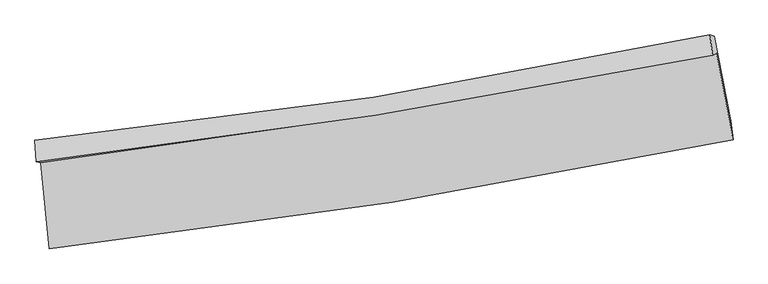
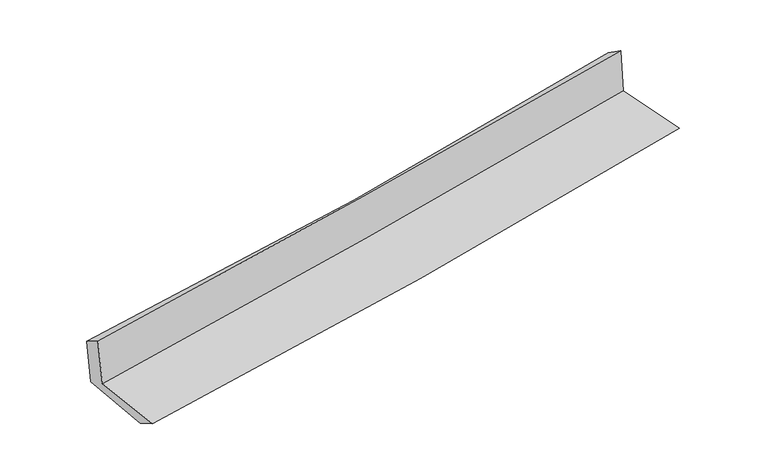
"""IFC4 building model written with IfcOpenShell, lengths in millimetres: proxy geometry."""

import ifcopenshell
import ifcopenshell.guid

model = None  # the IFC model being written
_history = None  # IfcOwnerHistory: only IFC2X3 demands one
_inside = {}  # id of a spatial element -> (the spatial element, [elements in it])
_under = {}  # id of a project, library or spatial element -> (it, [spatial elements below it])
_declared = {}  # id of a project -> (the project, [libraries it declares])
_typed = {}  # id of a type object -> (the type object, [elements of that type])
_made_of = {}  # id of a material, layer set ... -> (it, [elements and type objects made of it])


def new_model(schema):
    """Start an empty IFC model of exactly this schema.

    Asked for "IFC4X3", IfcOpenShell would pick the latest addendum, in which some entities
    have other attributes; the version numbers below select the first issue.
    IFC2X3 requires an IfcOwnerHistory on every rooted entity: one is made here for all.
    """
    global model, _history
    if schema == "IFC4X3":
        model = ifcopenshell.file(schema_version=(4, 3, 0, 0))
    else:
        model = ifcopenshell.file(schema=schema)
    _inside.clear()
    _under.clear()
    _declared.clear()
    _typed.clear()
    _made_of.clear()
    _history = None
    if model.schema == "IFC2X3":
        org = make("IfcOrganization", Name="unknown")
        user = make(
            "IfcPersonAndOrganization",
            ThePerson=make("IfcPerson", FamilyName="unknown"),
            TheOrganization=org,
        )
        app = make(
            "IfcApplication",
            ApplicationDeveloper=org,
            Version="unknown",
            ApplicationFullName="unknown",
            ApplicationIdentifier="unknown",
        )
        _history = make(
            "IfcOwnerHistory",
            OwningUser=user,
            OwningApplication=app,
            ChangeAction="ADDED",
            CreationDate=0,
        )
    return model


def make(cls, **values):
    """One entity of the class cls with the attributes given. An attribute that is None is left unset."""
    return model.create_entity(
        cls, **{name: value for name, value in values.items() if value is not None}
    )


def rooted(cls, **values):
    """An entity with a GlobalId (a new one), such as an element, a storey or a relation."""
    return make(cls, GlobalId=ifcopenshell.guid.new(), OwnerHistory=_history, **values)


def si_unit(unit_type, name, prefix=None):
    """IfcSIUnit, for example si_unit("LENGTHUNIT", "METRE", prefix="MILLI")."""
    return make("IfcSIUnit", UnitType=unit_type, Prefix=prefix, Name=name)


def assignment(units):
    """IfcUnitAssignment: the units of a project."""
    return None if units is None else make("IfcUnitAssignment", Units=units)


def point(xyz):
    """IfcCartesianPoint."""
    return None if xyz is None else make("IfcCartesianPoint", Coordinates=xyz)


def direction(xyz):
    """IfcDirection."""
    return None if xyz is None else make("IfcDirection", DirectionRatios=xyz)


def frame(location, z_axis=None, x_axis=None):
    """IfcAxis2Placement3D, a coordinate frame: its origin and axes. An axis left out is left unset."""
    return make(
        "IfcAxis2Placement3D",
        Location=point(location),
        Axis=direction(z_axis),
        RefDirection=direction(x_axis),
    )


def origin():
    """The frame at (0, 0, 0) with its axes left unset."""
    return frame((0.0, 0.0, 0.0))


def place(relative_to, where):
    """IfcLocalPlacement: puts the frame where relative to a parent placement (None: the world)."""
    return make(
        "IfcLocalPlacement", PlacementRelTo=relative_to, RelativePlacement=where
    )


def context(
    kind, dimensions, precision=None, world=None, true_north=None, identifier=None
):
    """IfcGeometricRepresentationContext, for example the 3D "Model" context."""
    return make(
        "IfcGeometricRepresentationContext",
        ContextIdentifier=identifier,
        ContextType=kind,
        CoordinateSpaceDimension=dimensions,
        Precision=precision,
        WorldCoordinateSystem=world,
        TrueNorth=true_north,
    )


def project(units=None, contexts=None):
    """IfcProject with its units and contexts."""
    return rooted(
        "IfcProject",
        Name="project",
        RepresentationContexts=contexts,
        UnitsInContext=assignment(units),
    )


def spatial(cls, under=None, at=None, **own):
    """A site, building, storey or space (cls), placed at a placement, below another one or the project."""
    s = rooted(cls, ObjectPlacement=at, **own)
    if under is not None:
        _under.setdefault(under.id(), (under, []))[1].append(s)
    return s


def shape(context_of_items, identifier, shape_type, items):
    """IfcShapeRepresentation: the items that make up one representation, for example the "Body"."""
    return make(
        "IfcShapeRepresentation",
        ContextOfItems=context_of_items,
        RepresentationIdentifier=identifier,
        RepresentationType=shape_type,
        Items=items,
    )


def source(mapping_origin, context_of_items, identifier, shape_type, items):
    """IfcRepresentationMap: a shape defined once, which mapped items show again and again."""
    return make(
        "IfcRepresentationMap",
        MappingOrigin=mapping_origin,
        MappedRepresentation=shape(context_of_items, identifier, shape_type, items),
    )


def transform(
    local_origin,
    x_axis=None,
    y_axis=None,
    z_axis=None,
    scale=None,
    scale2=None,
    scale3=None,
    uniform=True,
):
    """IfcCartesianTransformationOperator3D, or its non-uniform kind. x_axis, y_axis, z_axis: its Axis1, 2, 3."""
    if uniform:
        return make(
            "IfcCartesianTransformationOperator3D",
            Axis1=direction(x_axis),
            Axis2=direction(y_axis),
            LocalOrigin=point(local_origin),
            Scale=scale,
            Axis3=direction(z_axis),
        )
    return make(
        "IfcCartesianTransformationOperator3DnonUniform",
        Axis1=direction(x_axis),
        Axis2=direction(y_axis),
        LocalOrigin=point(local_origin),
        Scale=scale,
        Axis3=direction(z_axis),
        Scale2=scale2,
        Scale3=scale3,
    )


def mapped(mapping_source, mapping_target):
    """IfcMappedItem: shows the shape of a source again, moved by a transform."""
    return make(
        "IfcMappedItem", MappingSource=mapping_source, MappingTarget=mapping_target
    )


def made_of(thing, what):
    """Note that an element or type object is made of a material, layer set ...; save() writes the relation."""
    if what is not None:
        _made_of.setdefault(what.id(), (what, []))[1].append(thing)
    return thing


def element(
    cls,
    number,
    at=None,
    inside=None,
    cuts=None,
    type_object=None,
    material=None,
    context=None,
    identifier="Body",
    shape_type=None,
    held_by="IfcProductDefinitionShape",
    body=None,
    shapes=None,
    **own,
):
    """One element of the class cls, such as IfcWall. Its Tag is "e" and its number.

    at: its placement. inside: the storey or other place that contains it. cuts: it is an
    opening in that element (IfcRelVoidsElement). A single representation is given by context,
    identifier, shape_type and body (its items); several are given by shapes. held_by: the class
    of the entity that holds the representations. save() writes the other relations.
    """
    e = rooted(cls, Tag="e%d" % number, ObjectPlacement=at, **own)
    if body is not None:
        shapes = [shape(context, identifier, shape_type, body)]
    if shapes is not None:
        e.Representation = make(held_by, Representations=shapes)
    if inside is not None:
        _inside.setdefault(inside.id(), (inside, []))[1].append(e)
    if cuts is not None:
        rooted(
            "IfcRelVoidsElement", RelatingBuildingElement=cuts, RelatedOpeningElement=e
        )
    if type_object is not None:
        _typed.setdefault(type_object.id(), (type_object, []))[1].append(e)
    return made_of(e, material)


def aggregate(whole, parts):
    """IfcRelAggregates: a whole, such as a stair, and the parts it consists of."""
    return rooted("IfcRelAggregates", RelatingObject=whole, RelatedObjects=parts)


def save(model, path):
    """Write the relations noted so far, then the file.

    IfcRelAggregates (storeys below a building ...), IfcRelContainedInSpatialStructure (elements
    in a storey), IfcRelDefinesByType, IfcRelAssociatesMaterial and IfcRelDeclares: one each for
    every whole, place, type object, material and project.
    """
    for whole, parts in _under.values():
        aggregate(whole, parts)
    for where, things in _inside.values():
        rooted(
            "IfcRelContainedInSpatialStructure",
            RelatedElements=things,
            RelatingStructure=where,
        )
    for kind, things in _typed.values():
        rooted("IfcRelDefinesByType", RelatedObjects=things, RelatingType=kind)
    for what, things in _made_of.values():
        rooted("IfcRelAssociatesMaterial", RelatedObjects=things, RelatingMaterial=what)
    for by, libraries in _declared.values():
        rooted("IfcRelDeclares", RelatingContext=by, RelatedDefinitions=libraries)
    model.write(path)


def plane_surface(at):
    """IfcPlane: the flat surface through the origin of the frame at, square to its z axis."""
    return make("IfcPlane", Position=at)


def spline_curve(degree, points, multiplicities, knots, weights=None):
    """IfcBSplineCurveWithKnots; with weights, IfcRationalBSplineCurveWithKnots."""
    own = dict(
        Degree=degree,
        ControlPointsList=[point(p) for p in points],
        CurveForm="UNSPECIFIED",
        ClosedCurve=False,
        SelfIntersect=False,
        KnotMultiplicities=multiplicities,
        Knots=knots,
        KnotSpec="UNSPECIFIED",
    )
    if weights is None:
        return make("IfcBSplineCurveWithKnots", **own)
    return make("IfcRationalBSplineCurveWithKnots", WeightsData=weights, **own)


def spline_surface(u_degree, v_degree, points, u_multiplicities, v_multiplicities, u_knots, v_knots, weights=None):
    """IfcBSplineSurfaceWithKnots; with weights, IfcRationalBSplineSurfaceWithKnots. points: one row for each step in u."""
    own = dict(
        UDegree=u_degree,
        VDegree=v_degree,
        ControlPointsList=[[point(p) for p in row] for row in points],
        SurfaceForm="UNSPECIFIED",
        UClosed=False,
        VClosed=False,
        SelfIntersect=False,
        UMultiplicities=u_multiplicities,
        VMultiplicities=v_multiplicities,
        UKnots=u_knots,
        VKnots=v_knots,
        KnotSpec="UNSPECIFIED",
    )
    if weights is None:
        return make("IfcBSplineSurfaceWithKnots", **own)
    return make("IfcRationalBSplineSurfaceWithKnots", WeightsData=weights, **own)


def advanced_brep(points, edges, surfaces, faces):
    """IfcAdvancedBrep: a solid bounded by faces that lie on surfaces and meet in shared edges.

    An edge is (start, end): straight between two places in points (the first is 0);
    or (start, end, curve); or (start, end, curve, False) where it runs against its curve.
    A face is (place in surfaces, loops), or (place, loops, False) where it looks against
    its surface's normal. A loop lists edges by number (the first is 1), with a minus sign
    where the edge is run from its end to its start. The first loop is the outer one.
    """
    corners = [point(p) for p in points]
    vertices = [make("IfcVertexPoint", VertexGeometry=c) for c in corners]
    made = []
    for start, end, *more in edges:
        made.append(
            make(
                "IfcEdgeCurve",
                EdgeStart=vertices[start],
                EdgeEnd=vertices[end],
                EdgeGeometry=more[0] if more else make("IfcPolyline", Points=[corners[start], corners[end]]),
                SameSense=more[1] if len(more) > 1 else True,
            )
        )
    hull = []
    for where, loops, *sense in faces:
        bounds = []
        for j, loop in enumerate(loops):
            ring = [make("IfcOrientedEdge", EdgeElement=made[abs(k) - 1], Orientation=k > 0) for k in loop]
            bounds.append(
                make(
                    "IfcFaceOuterBound" if j == 0 else "IfcFaceBound",
                    Bound=make("IfcEdgeLoop", EdgeList=ring),
                    Orientation=True,
                )
            )
        hull.append(make("IfcAdvancedFace", Bounds=bounds, FaceSurface=surfaces[where], SameSense=sense[0] if sense else True))
    return make("IfcAdvancedBrep", Outer=make("IfcClosedShell", CfsFaces=hull))


def generic_models_d89f8c20(model_context):
    return source(origin(), model_context, "Body", "AdvancedBrep", [
        advanced_brep(
        [(-2579.9767751, -1902.0352295, 1639.9901981), (-2514.1492017, -2554.364499, 1638.1998482), (2655.6289832, -1728.2047845, 2103.7314809), (2531.6088339, -1074.2263977, 2104.440323), (-2614.7264224, -1893.8453979, 2045.6522932), (2500.1997398, -1089.9740617, 2504.1965665), (-2623.0007516, -1733.6854112, 1951.7743889), (2480.3024353, -936.6719632, 2397.7250605), (-2589.8089788, -1743.1093564, 1566.2264831), (2514.2712583, -945.6042488, 2022.5890681), (-2523.2682272, -2383.9359025, 1542.059947), (2637.4483427, -1586.4957839, 2002.8478268)],
        [
            (0, 1),
            (1, 2, spline_curve(3, [(-2514.1492017, -2554.364499, 1638.1998482), (-1647.008738008, -2455.901305774, 1724.403768428), (-782.446478866, -2337.786454343, 1806.314306242), (940.808653031, -2062.367387199, 1961.484417869), (1799.505788599, -1905.095666986, 2034.751090841), (2655.6289832, -1728.2047845, 2103.7314809)], [4, 2, 4], [0.0, 8.581237580529123, 17.15537731658479])),
            (2, 3),
            (3, 0, spline_curve(3, [(2531.6088339, -1074.2263977, 2104.440323), (1684.376050755, -1244.365206878, 2041.611800463), (834.971329418, -1398.396806446, 1971.512385001), (-868.88694302, -1674.359762525, 1816.707719509), (-1723.344091173, -1796.264440277, 1731.990426807), (-2579.9767751, -1902.0352295, 1639.9901981)], [4, 2, 4], [0.0, 8.574139736055667, 17.15537731658479])),
            (4, 0),
            (3, 5),
            (5, 4, spline_curve(3, [(2500.1997398, -1089.9740617, 2504.1965665), (1651.966051105, -1258.166695293, 2446.930550838), (801.782520917, -1409.231663576, 2380.105286837), (-903.189637177, -1677.217144604, 2227.273028935), (-1757.981493965, -1794.109288584, 2141.250202084), (-2614.7264224, -1893.8453979, 2045.6522932)], [4, 2, 4], [0.0, 8.526488382453365, 17.060035162635998])),
            (6, 4),
            (5, 7),
            (7, 6, spline_curve(3, [(2480.3024353, -936.6719632, 2397.7250605), (1637.21892248, -1117.622623029, 2328.841283542), (790.579325258, -1274.4982256, 2257.253334292), (-910.515847258, -1540.209251349, 2108.607589203), (-1764.977312207, -1649.004797961, 2031.54531496), (-2623.0007516, -1733.6854112, 1951.7743889)], [4, 2, 4], [0.0, 8.515347141347604, 17.037743457482108])),
            (8, 6),
            (7, 9),
            (9, 8, spline_curve(3, [(2514.2712583, -945.6042488, 2022.5890681), (1671.043039235, -1126.648027853, 1952.063025581), (824.266358114, -1283.611147119, 1878.786661866), (-877.087843286, -1549.48606844, 1726.670355723), (-1731.671241459, -1658.357984955, 1647.825857573), (-2589.8089788, -1743.1093564, 1566.2264831)], [4, 2, 4], [0.0, 8.506517597146624, 17.02007705980675])),
            (10, 8),
            (9, 11),
            (11, 10, spline_curve(3, [(2637.4483427, -1586.4957839, 2002.8478268), (1783.132989593, -1760.825350623, 1931.770164485), (926.094658405, -1914.42456371, 1857.849407483), (-794.139688024, -2180.272272591, 1704.258156464), (-1657.340213373, -2292.486432731, 1624.582953683), (-2523.2682272, -2383.9359025, 1542.059947)], [4, 2, 4], [0.0, 8.5534075499215, 17.113895781797847])),
            (1, 10),
            (11, 2),
        ],
        [
            spline_surface(3, 3, [[(-2579.9767751, -1902.0352295, 1639.9901981), (-1723.344091071, -1796.264440232, 1731.990426773), (-868.886942912, -1674.359762511, 1816.707719578), (834.97132931, -1398.396806459, 1971.512384933), (1684.376050834, -1244.365206925, 2041.611800391), (2531.6088339, -1074.2263977, 2104.440323)], [(-2558.034250649, -2119.478319343, 1639.393414817), (-1697.898973373, -2016.143395404, 1729.461540668), (-840.073454865, -1895.501993166, 1813.243248499), (870.250437177, -1619.720333382, 1968.169729202), (1722.752630124, -1464.608693611, 2039.324897153), (2572.948883663, -1292.219193283, 2104.204042275)], [(-2536.091726151, -2336.921409157, 1638.796631483), (-1672.453855629, -2236.022350546, 1726.932654513), (-811.259966807, -2116.64422374, 1809.778777435), (905.529545057, -1841.043860224, 1964.827073486), (1761.129209426, -1684.852180348, 2037.037993989), (2614.288933437, -1510.211988917, 2103.967761625)], [(-2514.1492017, -2554.364499, 1638.1998482), (-1647.00873793, -2455.901305717, 1724.403768408), (-782.44647876, -2337.786454395, 1806.314306356), (940.808652925, -2062.367387147, 1961.484417755), (1799.505788716, -1905.095667034, 2034.751090752), (2655.6289832, -1728.2047845, 2103.7314809)]], [4, 4], [4, 2, 4], [0.0, 2.2004654173239784], [0.0, 8.581237580529123, 17.15537731658479]),
            spline_surface(3, 3, [[(-2614.7264224, -1893.8453979, 2045.6522932), (-1757.981494009, -1794.109288506, 2141.250201968), (-903.189637043, -1677.217144615, 2227.273028943), (801.782520783, -1409.231663565, 2380.105286829), (1651.966051219, -1258.166695384, 2446.93055093), (2500.1997398, -1089.9740617, 2504.1965665)], [(-2603.143206629, -1896.575341762, 1910.43159483), (-1746.435693025, -1794.82767241, 2004.8302769), (-891.755405658, -1676.264683908, 2090.417925819), (812.845456967, -1405.620044524, 2243.907652862), (1662.769384421, -1253.566199219, 2311.824300754), (2510.66943783, -1084.724840354, 2370.944485337)], [(-2591.559990871, -1899.305285638, 1775.21089647), (-1734.889892055, -1795.546056328, 1868.410351841), (-880.321174297, -1675.312223218, 1953.562822701), (823.908393126, -1402.0084255, 2107.7100189), (1673.572717632, -1248.965703091, 2176.718050567), (2521.13913587, -1079.475619046, 2237.692404163)], [(-2579.9767751, -1902.0352295, 1639.9901981), (-1723.344091071, -1796.264440232, 1731.990426773), (-868.886942912, -1674.359762511, 1816.707719578), (834.97132931, -1398.396806459, 1971.512384933), (1684.376050834, -1244.365206925, 2041.611800391), (2531.6088339, -1074.2263977, 2104.440323)]], [4, 4], [4, 2, 4], [0.0, 1.348506386370472], [0.0, 8.533546780182633, 17.060035162635998]),
            spline_surface(3, 3, [[(-2623.0007516, -1733.6854112, 1951.7743889), (-1764.977312221, -1649.004797948, 2031.5453149), (-910.515847135, -1540.209251207, 2108.607589323), (790.579325135, -1274.498225742, 2257.253334171), (1637.218922344, -1117.62262316, 2328.841283673), (2480.3024353, -936.6719632, 2397.7250605)], [(-2620.242641875, -1787.072073447, 1983.067023645), (-1762.645372826, -1697.372961481, 2068.113610567), (-908.073777104, -1585.878548998, 2148.162735882), (794.313723685, -1319.409371671, 2298.203985076), (1642.134631957, -1164.470647256, 2368.204372778), (2486.934870121, -987.772662721, 2433.215562519)], [(-2617.484532125, -1840.458735653, 2014.359658455), (-1760.313433404, -1745.741124973, 2104.6819063), (-905.631707075, -1631.547846824, 2187.717882384), (798.048122233, -1364.320517635, 2339.154635924), (1647.050341606, -1211.318671288, 2407.567461825), (2493.567304979, -1038.873362179, 2468.706064481)], [(-2614.7264224, -1893.8453979, 2045.6522932), (-1757.981494009, -1794.109288506, 2141.250201968), (-903.189637043, -1677.217144615, 2227.273028943), (801.782520783, -1409.231663565, 2380.105286829), (1651.966051219, -1258.166695384, 2446.93055093), (2500.1997398, -1089.9740617, 2504.1965665)]], [4, 4], [4, 2, 4], [0.0, 0.5971592143839636], [0.0, 8.522396316134504, 17.037743457482108]),
            spline_surface(3, 3, [[(-2589.8089788, -1743.1093564, 1566.2264831), (-1731.67124148, -1658.35798507, 1647.825857711), (-877.08784341, -1549.486068428, 1726.670355678), (824.266358239, -1283.611147132, 1878.786661911), (1671.043039156, -1126.648027953, 1952.063025625), (2514.2712583, -945.6042488, 2022.5890681)], [(-2600.872903036, -1739.968041322, 1694.742451712), (-1742.77326503, -1655.240256018, 1775.732343452), (-888.230511329, -1546.393796026, 1853.982766877), (813.037347193, -1280.573506673, 2004.942219315), (1659.768333562, -1123.639559695, 2077.655778298), (2502.948317309, -942.626820273, 2147.63439889)], [(-2611.936827364, -1736.826726278, 1823.258420288), (-1753.875288671, -1652.122527, 1903.638829158), (-899.373179216, -1543.301523609, 1981.295178124), (801.80833618, -1277.5358662, 2131.097776767), (1648.493627939, -1120.631091417, 2203.248531), (2491.625376291, -939.649391727, 2272.67972971)], [(-2623.0007516, -1733.6854112, 1951.7743889), (-1764.977312221, -1649.004797948, 2031.5453149), (-910.515847135, -1540.209251207, 2108.607589323), (790.579325135, -1274.498225742, 2257.253334171), (1637.218922344, -1117.62262316, 2328.841283673), (2480.3024353, -936.6719632, 2397.7250605)]], [4, 4], [4, 2, 4], [0.0, 1.252598993799147], [0.0, 8.513559462660124, 17.02007705980675]),
            spline_surface(3, 3, [[(-2523.2682272, -2383.9359025, 1542.059947), (-1657.340213432, -2292.486432708, 1624.582953782), (-794.139688062, -2180.272272684, 1704.258156549), (926.094658443, -1914.424563617, 1857.849407398), (1783.132989687, -1760.825350755, 1931.770164552), (2637.4483427, -1586.4957839, 2002.8478268)], [(-2545.448477735, -2170.327053819, 1550.115459033), (-1682.117222783, -2081.110283514, 1632.330588425), (-821.78907318, -1970.010204609, 1711.728889592), (892.151891707, -1704.153424799, 1864.828492236), (1745.769672856, -1549.432909807, 1938.534451562), (2596.389314579, -1372.865272186, 2009.428240553)], [(-2567.628728265, -1956.718205081, 1558.170971067), (-1706.894232129, -1869.734134264, 1640.078223068), (-849.438458293, -1759.748136502, 1719.199622635), (858.209124975, -1493.882285949, 1871.807577073), (1708.406355988, -1338.040468901, 1945.298738614), (2555.330286421, -1159.234760514, 2016.008654347)], [(-2589.8089788, -1743.1093564, 1566.2264831), (-1731.67124148, -1658.35798507, 1647.825857711), (-877.08784341, -1549.486068428, 1726.670355678), (824.266358239, -1283.611147132, 1878.786661911), (1671.043039156, -1126.648027953, 1952.063025625), (2514.2712583, -945.6042488, 2022.5890681)]], [4, 4], [4, 2, 4], [0.0, 2.092837329179718], [0.0, 8.560488231876347, 17.113895781797847]),
            spline_surface(3, 3, [[(-2514.1492017, -2554.364499, 1638.1998482), (-1647.00873793, -2455.901305717, 1724.403768408), (-782.44647876, -2337.786454395, 1806.314306356), (940.808652925, -2062.367387147, 1961.484417755), (1799.505788716, -1905.095667034, 2034.751090752), (2655.6289832, -1728.2047845, 2103.7314809)], [(-2517.188876876, -2497.554966806, 1606.153214463), (-1650.452563107, -2401.429681354, 1691.130163529), (-786.344215186, -2285.281727132, 1772.295589757), (935.903988106, -2013.053112612, 1926.939414306), (1794.048189037, -1857.005561623, 2000.424115377), (2649.568769698, -1680.968450982, 2070.103596225)], [(-2520.228552024, -2440.745434694, 1574.106580737), (-1653.896388255, -2346.958057072, 1657.856558661), (-790.241951636, -2232.776999946, 1738.276873148), (930.999323263, -1963.738838153, 1892.394410847), (1788.590589366, -1808.915456166, 1966.097139927), (2643.508556202, -1633.732117418, 2036.475711475)], [(-2523.2682272, -2383.9359025, 1542.059947), (-1657.340213432, -2292.486432708, 1624.582953782), (-794.139688062, -2180.272272684, 1704.258156549), (926.094658443, -1914.424563617, 1857.849407398), (1783.132989687, -1760.825350755, 1931.770164552), (2637.4483427, -1586.4957839, 2002.8478268)]], [4, 4], [4, 2, 4], [0.0, 0.6056557188539908], [0.0, 8.617178440366457, 17.227229308305773]),
            plane_surface(frame((2553.2432655, -1226.8628733, 2189.2550543), z_axis=(0.9790144561439372, 0.18556853611841936, 0.08423190051315364), x_axis=(-0.09015637973011591, 0.02370710728659677, 0.9956454189409305))),
            plane_surface(frame((-2574.1550595, -2035.1626328, 1730.6505264), z_axis=(-0.9915431648352084, -0.09983059883202026, -0.08292167271237935), x_axis=(-0.10040129209876648, 0.9949432767657634, 0.00273067088892301))),
        ],
        [
            (0, [[1, 2, 3, 4]]),
            (1, [[5, -4, 6, 7]]),
            (2, [[8, -7, 9, 10]]),
            (3, [[11, -10, 12, 13]]),
            (4, [[14, -13, 15, 16]]),
            (5, [[17, -16, 18, -2]]),
            (6, [[-12, -9, -6, -3, -18, -15]]),
            (7, [[-1, -5, -8, -11, -14, -17]]),
        ],
    ),
    ])


if __name__ == "__main__":
    model = new_model("IFC4")
    model_context = context("Model", 3, world=origin())
    ifc_project = project(units=[si_unit("LENGTHUNIT", "METRE", prefix="MILLI")], contexts=[model_context])
    site = spatial("IfcSite", under=ifc_project)
    building = spatial("IfcBuilding", under=site)
    placement = place(None, origin())
    generic_models_shape = generic_models_d89f8c20(model_context)
    element("IfcBuildingElementProxy", 1, Name="Generic Models", at=placement, inside=building, context=model_context, shape_type="MappedRepresentation", body=[
        mapped(generic_models_shape, transform((0.0, 0.0, 0.0), x_axis=(1.0, 0.0, 0.0), y_axis=(0.0, 1.0, 0.0), z_axis=(0.0, 0.0, 1.0))),
    ])
    save(model, "model.ifc")
